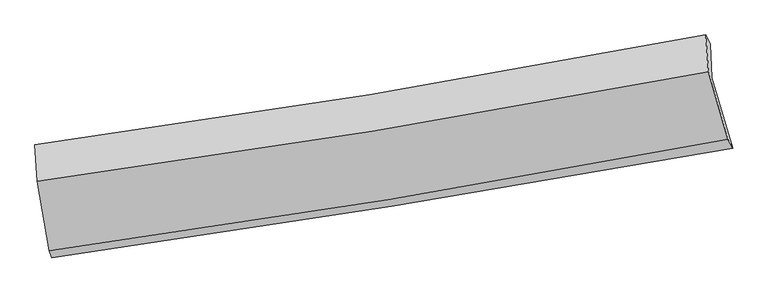
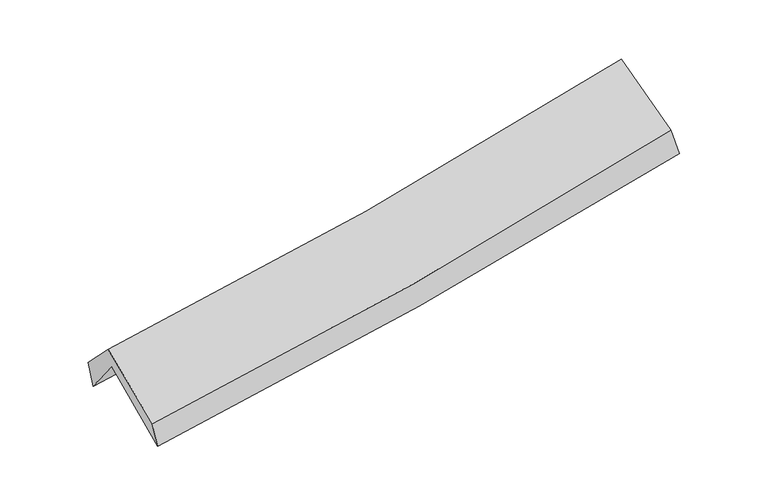
"""IFC4 building model written with IfcOpenShell, lengths in millimetres: proxy geometry."""

from ifc_helpers import new_model, si_unit, frame, origin, place, context, project, spatial, source, transform, mapped, element, save
from ifc_brep_helpers import plane_surface, spline_curve, spline_surface, advanced_brep


def generic_models_f623cc1f(model_context):
    return source(origin(), model_context, "Body", "AdvancedBrep", [
        advanced_brep(
        [(-2345.3296609, -2478.351793, 1491.338793), (-2436.4955716, -1959.7076218, 1926.5117513), (2376.808392, -1193.6445377, 2359.9832295), (2524.4318249, -1695.0632986, 1933.9216775), (-2448.977326, -1713.7890413, 1602.0301256), (2365.794287, -951.5371709, 2040.8055149), (-2465.5564103, -1671.3000863, 1794.9753317), (2332.2641681, -886.1579481, 2220.7505877), (-2448.0716092, -1930.6862909, 2062.6501715), (2351.0247621, -1147.8051046, 2505.9598553), (-2362.0037845, -2428.7389911, 1670.2825127), (2490.6181923, -1630.3329208, 2117.4485965)],
        [
            (0, 1),
            (1, 2, spline_curve(3, [(-2436.4955716, -1959.7076218, 1926.5117513), (-1634.078311249, -1854.139869376, 1979.361178235), (-834.030846345, -1737.941680102, 2041.648842621), (770.458390124, -1482.832162359, 2185.921950617), (1574.845579717, -1343.675990467, 2268.124779219), (2376.808392, -1193.6445377, 2359.9832295)], [4, 2, 4], [0.0, 8.030618001612844, 16.153191490886144])),
            (2, 3),
            (3, 0, spline_curve(3, [(2524.4318249, -1695.0632986, 1933.9216775), (1713.575831628, -1841.361001983, 1836.452420956), (900.008852493, -1980.112767682, 1750.692206506), (-723.306010619, -2241.039044835, 1603.428193496), (-1532.992860198, -2363.383444115, 1541.660779669), (-2345.3296609, -2478.351793, 1491.338793)], [4, 2, 4], [0.0, 8.1225734892733, 16.153191490886144])),
            (1, 4),
            (4, 5, spline_curve(3, [(-2448.977326, -1713.7890413, 1602.0301256), (-1646.553557688, -1603.997366044, 1649.712826395), (-846.381904651, -1485.98918815, 1709.839395962), (758.593837567, -1232.094476655, 1855.811247536), (1563.346055716, -1096.018697979, 1941.943141278), (2365.794287, -951.5371709, 2040.8055149)], [4, 2, 4], [0.0, 7.983672171116544, 16.0587622714222])),
            (5, 2),
            (4, 6),
            (6, 7, spline_curve(3, [(-2465.5564103, -1671.3000863, 1794.9753317), (-1665.172183274, -1563.883575752, 1842.134866222), (-867.422655373, -1445.183874256, 1900.927318124), (731.911554061, -1183.729706733, 2042.584470025), (1533.435552265, -1040.715361772, 2125.717103475), (2332.2641681, -886.1579481, 2220.7505877)], [4, 2, 4], [0.0, 7.973391129408622, 16.038082463790893])),
            (7, 5),
            (6, 8),
            (8, 9, spline_curve(3, [(-2448.0716092, -1930.6862909, 2062.6501715), (-1647.39765968, -1822.359209627, 2111.470739798), (-849.397336661, -1703.387904944, 2172.543049766), (750.363033761, -1442.672670781, 2320.030758271), (1552.061501036, -1300.683580266, 2406.728342759), (2351.0247621, -1147.8051046, 2505.9598553)], [4, 2, 4], [0.0, 7.964006724343665, 16.019206196483466])),
            (9, 7),
            (8, 10),
            (10, 11, spline_curve(3, [(-2362.0037845, -2428.7389911, 1670.2825127), (-1551.056299762, -2318.076341383, 1717.298949223), (-743.480139759, -2196.651551785, 1777.781776251), (874.138168579, -1930.76407223, 1926.526974916), (1684.102667377, -1786.053504972, 2015.099509151), (2490.6181923, -1630.3329208, 2117.4485965)], [4, 2, 4], [0.0, 8.011367528465694, 16.114470114900683])),
            (11, 9),
            (10, 0),
            (3, 11),
        ],
        [
            spline_surface(3, 3, [[(-2345.3296609, -2478.351793, 1491.338793), (-1532.992860237, -2363.383443997, 1541.660779691), (-723.306010642, -2241.039044802, 1603.428193396), (900.008852516, -1980.112767716, 1750.692206608), (1713.575831552, -1841.361002068, 1836.452421053), (2524.4318249, -1695.0632986, 1933.9216775)], [(-2375.718297814, -2305.470402617, 1636.396445793), (-1566.688010593, -2193.635585785, 1687.560912601), (-760.214289203, -2073.339923207, 1749.501743131), (856.825365053, -1814.352565969, 1895.768787954), (1667.332414274, -1675.465998169, 1980.343207092), (2475.224013924, -1527.923711618, 2075.942194847)], [(-2406.106934686, -2132.589012183, 1781.454098507), (-1600.383160908, -2023.88772752, 1833.461045433), (-797.122567776, -1905.640801598, 1895.575292861), (813.641877579, -1648.592364206, 2040.845369295), (1621.088997024, -1509.570994315, 2124.233993091), (2426.016202976, -1360.784124682, 2217.962712153)], [(-2436.4955716, -1959.7076218, 1926.5117513), (-1634.078311264, -1854.139869307, 1979.361178343), (-834.030846337, -1737.941680004, 2041.648842596), (770.458390116, -1482.832162459, 2185.921950641), (1574.845579745, -1343.675990416, 2268.12477913), (2376.808392, -1193.6445377, 2359.9832295)]], [4, 4], [4, 2, 4], [0.0, 2.213847164747293], [0.0, 8.030618001612844, 16.153191490886144]),
            spline_surface(3, 3, [[(-2436.4955716, -1959.7076218, 1926.5117513), (-1634.078311264, -1854.139869307, 1979.361178343), (-834.030846337, -1737.941680004, 2041.648842596), (770.458390116, -1482.832162459, 2185.921950641), (1574.845579745, -1343.675990416, 2268.12477913), (2376.808392, -1193.6445377, 2359.9832295)], [(-2440.656156404, -1877.73476164, 1818.351209388), (-1638.236726768, -1770.759034931, 1869.478394388), (-838.147865818, -1653.95751606, 1931.045693718), (766.50353931, -1399.252933856, 2075.885049642), (1571.012405073, -1261.123559571, 2159.397566508), (2373.137023669, -1112.94208211, 2253.590657948)], [(-2444.816741196, -1795.76190146, 1710.190667512), (-1642.395142262, -1687.378200536, 1759.59561047), (-842.264885298, -1569.973352107, 1820.442544786), (762.548688503, -1315.673705245, 1965.848148589), (1567.179230394, -1178.571128696, 2050.670353942), (2369.465655331, -1032.23962649, 2147.198086452)], [(-2448.977326, -1713.7890413, 1602.0301256), (-1646.553557766, -1603.997366159, 1649.712826515), (-846.381904779, -1485.989188163, 1709.839395908), (758.593837697, -1232.094476642, 1855.81124759), (1563.346055722, -1096.018697851, 1941.94314132), (2365.794287, -951.5371709, 2040.8055149)]], [4, 4], [4, 2, 4], [0.0, 1.363998144863135], [0.0, 7.983672171116544, 16.0587622714222]),
            spline_surface(3, 3, [[(-2448.977326, -1713.7890413, 1602.0301256), (-1646.553557766, -1603.997366159, 1649.712826515), (-846.381904779, -1485.989188163, 1709.839395908), (758.593837697, -1232.094476642, 1855.81124759), (1563.346055722, -1096.018697851, 1941.94314132), (2365.794287, -951.5371709, 2040.8055149)], [(-2454.503687416, -1699.626056299, 1666.345194304), (-1652.759766283, -1590.62610268, 1713.853506419), (-853.395488302, -1472.387416908, 1773.535369969), (749.699743145, -1215.972886633, 1918.06898843), (1553.37588788, -1077.584252534, 2003.201128747), (2354.617580699, -929.744096643, 2100.787205837)], [(-2460.030048884, -1685.463071301, 1730.660262996), (-1658.965974854, -1577.254839204, 1777.994186312), (-860.409071827, -1458.78564564, 1837.231344005), (740.80564859, -1199.851296612, 1980.326729244), (1543.405720041, -1059.149807188, 2064.459116162), (2343.440874401, -907.951022357, 2160.768896763)], [(-2465.5564103, -1671.3000863, 1794.9753317), (-1665.172183372, -1563.883575724, 1842.134866216), (-867.42265535, -1445.183874384, 1900.927318066), (731.911554038, -1183.729706604, 2042.584470084), (1533.4355522, -1040.71536187, 2125.717103589), (2332.2641681, -886.1579481, 2220.7505877)]], [4, 4], [4, 2, 4], [0.0, 0.641637424190257], [0.0, 7.973391129408622, 16.038082463790893]),
            spline_surface(3, 3, [[(-2465.5564103, -1671.3000863, 1794.9753317), (-1665.172183372, -1563.883575724, 1842.134866216), (-867.42265535, -1445.183874384, 1900.927318066), (731.911554038, -1183.729706604, 2042.584470084), (1533.4355522, -1040.71536187, 2125.717103589), (2332.2641681, -886.1579481, 2220.7505877)], [(-2459.728143267, -1757.762154481, 1884.200278297), (-1659.247342143, -1650.042120379, 1931.913490769), (-861.414215784, -1531.251884543, 1991.465895316), (738.062047236, -1270.044028012, 2135.066566107), (1539.644201827, -1127.371434659, 2219.387516678), (2338.517699435, -973.373666937, 2315.820343587)], [(-2453.899876233, -1844.224222719, 1973.425224903), (-1653.322500915, -1736.200665089, 2021.692115329), (-855.405776158, -1617.31989472, 2082.004472599), (744.212540493, -1356.358349439, 2227.548662163), (1545.852851449, -1214.027507437, 2313.057929707), (2344.771230765, -1060.589385763, 2410.890099413)], [(-2448.0716092, -1930.6862909, 2062.6501715), (-1647.397659686, -1822.359209744, 2111.470739882), (-849.397336592, -1703.387904879, 2172.543049849), (750.363033691, -1442.672670847, 2320.030758187), (1552.061501076, -1300.683580227, 2406.728342796), (2351.0247621, -1147.8051046, 2505.9598553)]], [4, 4], [4, 2, 4], [0.0, 1.2388406402312486], [0.0, 7.964006724343665, 16.019206196483466]),
            spline_surface(3, 3, [[(-2448.0716092, -1930.6862909, 2062.6501715), (-1647.397659686, -1822.359209744, 2111.470739882), (-849.397336592, -1703.387904879, 2172.543049849), (750.363033691, -1442.672670847, 2320.030758187), (1552.061501076, -1300.683580227, 2406.728342796), (2351.0247621, -1147.8051046, 2505.9598553)], [(-2419.382334303, -2096.703857651, 1931.86095191), (-1615.283873092, -1987.598253601, 1980.080143001), (-814.091604316, -1867.809120509, 2040.955958647), (791.621412008, -1605.369804648, 2188.862830462), (1596.075223211, -1462.473555133, 2276.185398271), (2397.555905499, -1308.647709983, 2376.456102347)], [(-2390.693059397, -2262.721424349, 1801.07173229), (-1583.17008649, -2152.837297407, 1848.68954609), (-778.785872068, -2032.230336137, 1909.368867401), (832.879790296, -1768.066938448, 2057.694902693), (1640.088945348, -1624.26353009, 2145.642453804), (2444.087048901, -1469.490315417, 2246.952349453)], [(-2362.0037845, -2428.7389911, 1670.2825127), (-1551.056299896, -2318.076341264, 1717.298949209), (-743.480139792, -2196.651551767, 1777.7817762), (874.138168612, -1930.764072248, 1926.526974968), (1684.102667483, -1786.053504996, 2015.099509279), (2490.6181923, -1630.3329208, 2117.4485965)]], [4, 4], [4, 2, 4], [0.0, 2.0989254371140786], [0.0, 8.011367528465694, 16.114470114900683]),
            spline_surface(3, 3, [[(-2362.0037845, -2428.7389911, 1670.2825127), (-1551.056299896, -2318.076341264, 1717.298949209), (-743.480139792, -2196.651551767, 1777.7817762), (874.138168612, -1930.764072248, 1926.526974968), (1684.102667483, -1786.053504996, 2015.099509279), (2490.6181923, -1630.3329208, 2117.4485965)], [(-2356.445743298, -2445.276591712, 1610.634606108), (-1545.035153341, -2333.178708821, 1658.752892678), (-736.755430068, -2211.447382773, 1719.663915233), (882.76172992, -1947.213637399, 1867.915385483), (1693.927055513, -1804.489337363, 1955.550479871), (2501.889403173, -1651.909713409, 2056.272956834)], [(-2350.887702102, -2461.814192388, 1550.986699592), (-1539.014006791, -2348.281076441, 1600.206836222), (-730.030720365, -2226.243213796, 1661.546054362), (891.385291208, -1963.663202566, 1809.303796093), (1703.751443522, -1822.925169702, 1896.001450461), (2513.160614027, -1673.486505991, 1995.097317166)], [(-2345.3296609, -2478.351793, 1491.338793), (-1532.992860237, -2363.383443997, 1541.660779691), (-723.306010642, -2241.039044802, 1603.428193396), (900.008852516, -1980.112767716, 1750.692206608), (1713.575831552, -1841.361002068, 1836.452421053), (2524.4318249, -1695.0632986, 1933.9216775)]], [4, 4], [4, 2, 4], [0.0, 0.5995219345942218], [0.0, 8.067694674274719, 16.22776938678804]),
            plane_surface(frame((2406.8236044, -1250.7568301, 2196.4782436), z_axis=(0.9750028548987653, 0.1919329862657191, 0.1119426715885443), x_axis=(0.21982251966898284, -0.7598529544366144, -0.6118018858097188))),
            plane_surface(frame((-2417.7390604, -2030.4289707, 1757.964781), z_axis=(-0.9903761072063791, -0.12595517645298446, -0.05736252957668585), x_axis=(-0.0894336977759462, 0.2661043200907199, 0.9597864890334602))),
        ],
        [
            (0, [[1, 2, 3, 4]]),
            (1, [[5, 6, 7, -2]]),
            (2, [[8, 9, 10, -6]]),
            (3, [[11, 12, 13, -9]]),
            (4, [[14, 15, 16, -12]]),
            (5, [[17, -4, 18, -15]]),
            (6, [[-16, -18, -3, -7, -10, -13]]),
            (7, [[-17, -14, -11, -8, -5, -1]]),
        ],
    ),
    ])


if __name__ == "__main__":
    model = new_model("IFC4")
    model_context = context("Model", 3, world=origin())
    ifc_project = project(units=[si_unit("LENGTHUNIT", "METRE", prefix="MILLI")], contexts=[model_context])
    site = spatial("IfcSite", under=ifc_project)
    building = spatial("IfcBuilding", under=site)
    placement = place(None, origin())
    generic_models_shape = generic_models_f623cc1f(model_context)
    element("IfcBuildingElementProxy", 1, Name="Generic Models", at=placement, inside=building, context=model_context, shape_type="MappedRepresentation", body=[
        mapped(generic_models_shape, transform((0.0, 0.0, 0.0), x_axis=(1.0, 0.0, 0.0), y_axis=(0.0, 1.0, 0.0), z_axis=(0.0, 0.0, 1.0))),
    ])
    save(model, "model.ifc")
